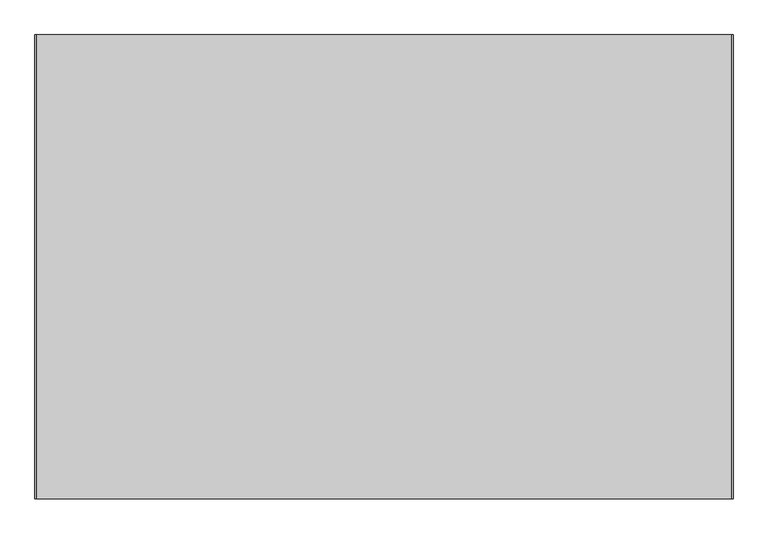
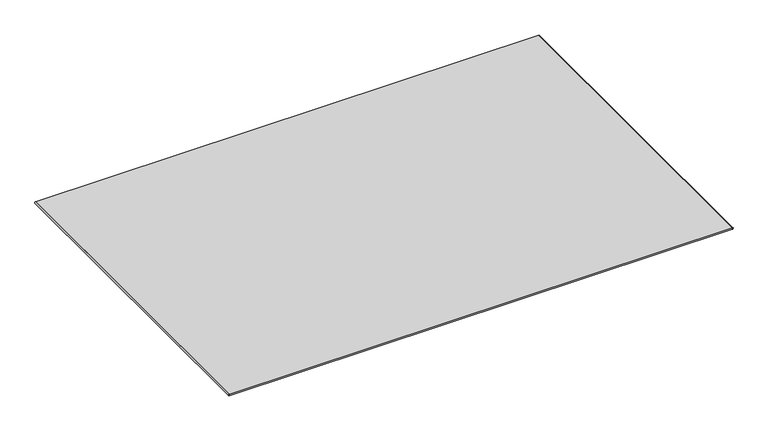
"""IFC4 building model written with IfcOpenShell, lengths in millimetres: furniture geometry."""

from ifc_helpers import new_model, si_unit, point, frame, frame_2d, origin, origin_with_axes, place, context, project, spatial, polyline, circle_curve, trimmed, segment, composite_curve, outline, extrude, source, transform, mapped, element, save


def furniture_545cba9a(model_context):
    return source(origin(), model_context, "Body", "SweptSolid", [
        extrude(outline(composite_curve([segment(polyline([(0.0, -597.4953125), (10.1203125, -597.4953125)]), True, "CONTINUOUS"), segment(trimmed(circle_curve(frame_2d((5.0601562, -597.4953125)), 5.0601563), [point((10.1203125, -597.4953125))], [point((0.0, -597.4953125))], False, "CARTESIAN"), True, "CONTINUOUS")], self_intersect=False)), frame((0.0, -1000.8195313, 0.0), z_axis=(0.0, 1.0, 0.0), x_axis=(0.0, 0.0, 1.0)), (0.0, 0.0, 1.0), 2000.25),
        extrude(outline(composite_curve([segment(trimmed(circle_curve(frame_2d((5.0601562, 2399.7046875)), 5.0601563), [point((0.0, 2399.7046875))], [point((10.1203125, 2399.7046875))], False, "CARTESIAN"), True, "CONTINUOUS"), segment(polyline([(10.1203125, 2399.7046875), (0.0, 2399.7046875)]), True, "CONTINUOUS")], self_intersect=False)), frame((0.0, -1000.8195313, 0.0), z_axis=(0.0, 1.0, 0.0), x_axis=(0.0, 0.0, 1.0)), (0.0, 0.0, 1.0), 2000.25),
        extrude(outline(polyline([(2399.7046875, 999.4304687), (2399.7046875, -1000.8195313), (-597.4953125, -1000.8195313), (-597.4953125, 999.4304687), (2399.7046875, 999.4304687)])), origin_with_axes(), (0.0, 0.0, 1.0), 10.1203125),
    ])


if __name__ == "__main__":
    model = new_model("IFC4")
    model_context = context("Model", 3, world=origin())
    ifc_project = project(units=[si_unit("LENGTHUNIT", "METRE", prefix="MILLI")], contexts=[model_context])
    site = spatial("IfcSite", under=ifc_project)
    building = spatial("IfcBuilding", under=site)
    placement = place(None, origin())
    furniture_shape = furniture_545cba9a(model_context)
    element("IfcFurniture", 1, at=placement, inside=building, context=model_context, shape_type="MappedRepresentation", body=[
        mapped(furniture_shape, transform((0.0, 0.0, 0.0), x_axis=(1.0, 0.0, 0.0), y_axis=(0.0, 1.0, 0.0), z_axis=(0.0, 0.0, 1.0))),
    ])
    save(model, "model.ifc")
